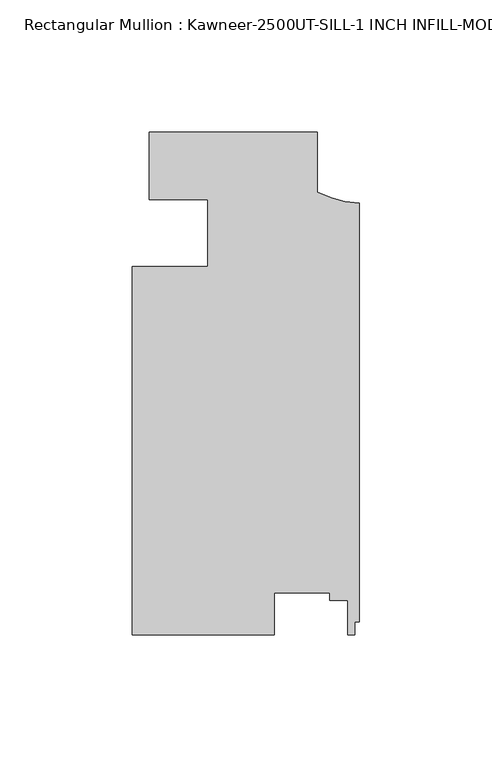
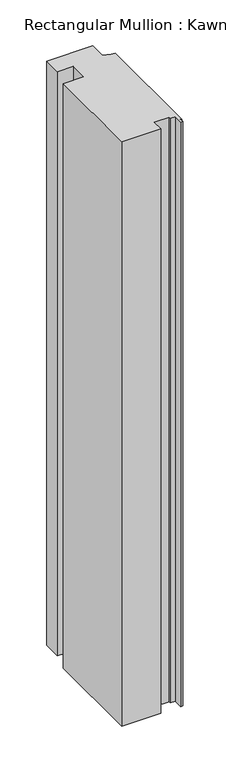
"""IFC4 building model written with IfcOpenShell, lengths in millimetres: member geometry, Rectangular Mullion : Kawneer-2500UT-SILL-1 INCH INFILL-MODEL."""

from ifc_helpers import new_model, si_unit, point, frame, frame_2d, origin, place, context, project, spatial, polyline, circle_curve, trimmed, segment, composite_curve, outline, extrude, source, transform, mapped, element, save


def rectangular_mullion_kawneer_2500ut_sill_1_inch_infill_model_0863a285(model_context):
    return source(origin(), model_context, "Body", "SweptSolid", [
        extrude(outline(composite_curve([segment(polyline([(-79.375, 25.4), (-15.859125, 25.4), (-15.859125, 2.8383029)]), True, "CONTINUOUS"), segment(trimmed(circle_curve(frame_2d((2.0735887, 37.9649275)), 39.4393455), [point((-15.859125, 2.8383029))], [point((0.0, -1.4198691))], True, "CARTESIAN"), True, "CONTINUOUS"), segment(polyline([(0.0, -1.4198691), (0.0, -159.7117704), (-1.7653015, -159.7117704), (-1.7653015, -164.607875), (-4.3053014, -164.607875), (-4.3053014, -151.5640758), (-11.1633011, -151.5640758), (-11.1633011, -148.7094705), (-32.1099503, -148.7094705), (-32.1099503, -164.607875), (-85.725, -164.607875), (-85.725, -25.4163275), (-57.15, -25.4157457), (-57.15, -0.3335077)]), True, "CONTINUOUS"), segment(trimmed(circle_curve(frame_2d((-75.0742482, -461.0236947)), 461.0387479), [point((-57.15, -0.3335077))], [point((-79.375, -0.0050068))], True, "CARTESIAN"), True, "CONTINUOUS"), segment(polyline([(-79.375, -0.0050068), (-79.375, 25.4)]), True, "CONTINUOUS")], self_intersect=False)), frame((0.0, 0.0, -850.8998868), z_axis=(0.0, 0.0, 1.0), x_axis=(1.0, 0.0, 0.0)), (0.0, 0.0, 1.0), 850.8998868),
    ])


if __name__ == "__main__":
    model = new_model("IFC4")
    model_context = context("Model", 3, world=origin())
    ifc_project = project(units=[si_unit("LENGTHUNIT", "METRE", prefix="MILLI")], contexts=[model_context])
    site = spatial("IfcSite", under=ifc_project)
    building = spatial("IfcBuilding", under=site)
    placement = place(None, origin())
    rectangular_mullion_kawneer_2500ut_sill_1_inch_infill_model_shape = rectangular_mullion_kawneer_2500ut_sill_1_inch_infill_model_0863a285(model_context)
    element("IfcMember", 1, ObjectType="Rectangular Mullion : Kawneer-2500UT-SILL-1 INCH INFILL-MODEL", at=placement, inside=building, context=model_context, shape_type="MappedRepresentation", body=[
        mapped(rectangular_mullion_kawneer_2500ut_sill_1_inch_infill_model_shape, transform((0.0, 0.0, 0.0), x_axis=(1.0, 0.0, 0.0), y_axis=(0.0, 1.0, 0.0), z_axis=(0.0, 0.0, 1.0))),
    ])
    save(model, "model.ifc")
